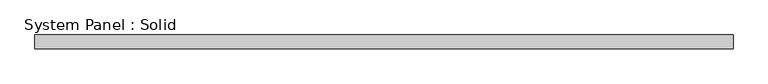
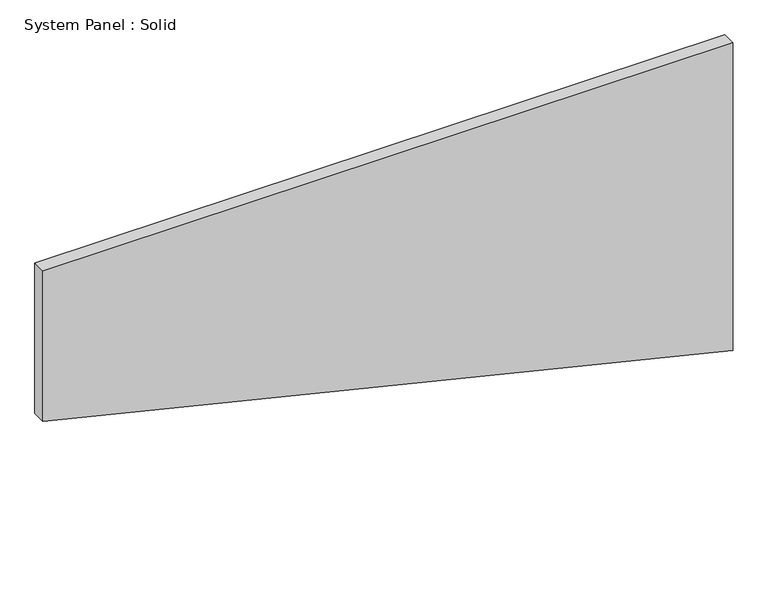
"""IFC4 building model written with IfcOpenShell, lengths in millimetres: plate geometry, System Panel : Solid."""

import ifcopenshell
import ifcopenshell.guid

model = None  # the IFC model being written
_history = None  # IfcOwnerHistory: only IFC2X3 demands one
_inside = {}  # id of a spatial element -> (the spatial element, [elements in it])
_under = {}  # id of a project, library or spatial element -> (it, [spatial elements below it])
_declared = {}  # id of a project -> (the project, [libraries it declares])
_typed = {}  # id of a type object -> (the type object, [elements of that type])
_made_of = {}  # id of a material, layer set ... -> (it, [elements and type objects made of it])


def new_model(schema):
    """Start an empty IFC model of exactly this schema.

    Asked for "IFC4X3", IfcOpenShell would pick the latest addendum, in which some entities
    have other attributes; the version numbers below select the first issue.
    IFC2X3 requires an IfcOwnerHistory on every rooted entity: one is made here for all.
    """
    global model, _history
    if schema == "IFC4X3":
        model = ifcopenshell.file(schema_version=(4, 3, 0, 0))
    else:
        model = ifcopenshell.file(schema=schema)
    _inside.clear()
    _under.clear()
    _declared.clear()
    _typed.clear()
    _made_of.clear()
    _history = None
    if model.schema == "IFC2X3":
        org = make("IfcOrganization", Name="unknown")
        user = make(
            "IfcPersonAndOrganization",
            ThePerson=make("IfcPerson", FamilyName="unknown"),
            TheOrganization=org,
        )
        app = make(
            "IfcApplication",
            ApplicationDeveloper=org,
            Version="unknown",
            ApplicationFullName="unknown",
            ApplicationIdentifier="unknown",
        )
        _history = make(
            "IfcOwnerHistory",
            OwningUser=user,
            OwningApplication=app,
            ChangeAction="ADDED",
            CreationDate=0,
        )
    return model


def make(cls, **values):
    """One entity of the class cls with the attributes given. An attribute that is None is left unset."""
    return model.create_entity(
        cls, **{name: value for name, value in values.items() if value is not None}
    )


def rooted(cls, **values):
    """An entity with a GlobalId (a new one), such as an element, a storey or a relation."""
    return make(cls, GlobalId=ifcopenshell.guid.new(), OwnerHistory=_history, **values)


def si_unit(unit_type, name, prefix=None):
    """IfcSIUnit, for example si_unit("LENGTHUNIT", "METRE", prefix="MILLI")."""
    return make("IfcSIUnit", UnitType=unit_type, Prefix=prefix, Name=name)


def assignment(units):
    """IfcUnitAssignment: the units of a project."""
    return None if units is None else make("IfcUnitAssignment", Units=units)


def point(xyz):
    """IfcCartesianPoint."""
    return None if xyz is None else make("IfcCartesianPoint", Coordinates=xyz)


def direction(xyz):
    """IfcDirection."""
    return None if xyz is None else make("IfcDirection", DirectionRatios=xyz)


def frame(location, z_axis=None, x_axis=None):
    """IfcAxis2Placement3D, a coordinate frame: its origin and axes. An axis left out is left unset."""
    return make(
        "IfcAxis2Placement3D",
        Location=point(location),
        Axis=direction(z_axis),
        RefDirection=direction(x_axis),
    )


def origin():
    """The frame at (0, 0, 0) with its axes left unset."""
    return frame((0.0, 0.0, 0.0))


def place(relative_to, where):
    """IfcLocalPlacement: puts the frame where relative to a parent placement (None: the world)."""
    return make(
        "IfcLocalPlacement", PlacementRelTo=relative_to, RelativePlacement=where
    )


def context(
    kind, dimensions, precision=None, world=None, true_north=None, identifier=None
):
    """IfcGeometricRepresentationContext, for example the 3D "Model" context."""
    return make(
        "IfcGeometricRepresentationContext",
        ContextIdentifier=identifier,
        ContextType=kind,
        CoordinateSpaceDimension=dimensions,
        Precision=precision,
        WorldCoordinateSystem=world,
        TrueNorth=true_north,
    )


def project(units=None, contexts=None):
    """IfcProject with its units and contexts."""
    return rooted(
        "IfcProject",
        Name="project",
        RepresentationContexts=contexts,
        UnitsInContext=assignment(units),
    )


def spatial(cls, under=None, at=None, **own):
    """A site, building, storey or space (cls), placed at a placement, below another one or the project."""
    s = rooted(cls, ObjectPlacement=at, **own)
    if under is not None:
        _under.setdefault(under.id(), (under, []))[1].append(s)
    return s


def polyline(points):
    """IfcPolyline through the points."""
    return make("IfcPolyline", Points=[point(p) for p in points])


def outline(outer, holes=None, kind="AREA"):
    """IfcArbitraryClosedProfileDef: a profile drawn as a closed curve; with holes, ...WithVoids."""
    if holes is None:
        return make("IfcArbitraryClosedProfileDef", ProfileType=kind, OuterCurve=outer)
    return make(
        "IfcArbitraryProfileDefWithVoids",
        ProfileType=kind,
        OuterCurve=outer,
        InnerCurves=holes,
    )


def extrude(swept, where, along, depth):
    """IfcExtrudedAreaSolid: the profile swept, set in the frame where, extruded along a direction by depth."""
    return make(
        "IfcExtrudedAreaSolid",
        SweptArea=swept,
        Position=where,
        ExtrudedDirection=direction(along),
        Depth=depth,
    )


def shape(context_of_items, identifier, shape_type, items):
    """IfcShapeRepresentation: the items that make up one representation, for example the "Body"."""
    return make(
        "IfcShapeRepresentation",
        ContextOfItems=context_of_items,
        RepresentationIdentifier=identifier,
        RepresentationType=shape_type,
        Items=items,
    )


def source(mapping_origin, context_of_items, identifier, shape_type, items):
    """IfcRepresentationMap: a shape defined once, which mapped items show again and again."""
    return make(
        "IfcRepresentationMap",
        MappingOrigin=mapping_origin,
        MappedRepresentation=shape(context_of_items, identifier, shape_type, items),
    )


def transform(
    local_origin,
    x_axis=None,
    y_axis=None,
    z_axis=None,
    scale=None,
    scale2=None,
    scale3=None,
    uniform=True,
):
    """IfcCartesianTransformationOperator3D, or its non-uniform kind. x_axis, y_axis, z_axis: its Axis1, 2, 3."""
    if uniform:
        return make(
            "IfcCartesianTransformationOperator3D",
            Axis1=direction(x_axis),
            Axis2=direction(y_axis),
            LocalOrigin=point(local_origin),
            Scale=scale,
            Axis3=direction(z_axis),
        )
    return make(
        "IfcCartesianTransformationOperator3DnonUniform",
        Axis1=direction(x_axis),
        Axis2=direction(y_axis),
        LocalOrigin=point(local_origin),
        Scale=scale,
        Axis3=direction(z_axis),
        Scale2=scale2,
        Scale3=scale3,
    )


def mapped(mapping_source, mapping_target):
    """IfcMappedItem: shows the shape of a source again, moved by a transform."""
    return make(
        "IfcMappedItem", MappingSource=mapping_source, MappingTarget=mapping_target
    )


def made_of(thing, what):
    """Note that an element or type object is made of a material, layer set ...; save() writes the relation."""
    if what is not None:
        _made_of.setdefault(what.id(), (what, []))[1].append(thing)
    return thing


def element(
    cls,
    number,
    at=None,
    inside=None,
    cuts=None,
    type_object=None,
    material=None,
    context=None,
    identifier="Body",
    shape_type=None,
    held_by="IfcProductDefinitionShape",
    body=None,
    shapes=None,
    **own,
):
    """One element of the class cls, such as IfcWall. Its Tag is "e" and its number.

    at: its placement. inside: the storey or other place that contains it. cuts: it is an
    opening in that element (IfcRelVoidsElement). A single representation is given by context,
    identifier, shape_type and body (its items); several are given by shapes. held_by: the class
    of the entity that holds the representations. save() writes the other relations.
    """
    e = rooted(cls, Tag="e%d" % number, ObjectPlacement=at, **own)
    if body is not None:
        shapes = [shape(context, identifier, shape_type, body)]
    if shapes is not None:
        e.Representation = make(held_by, Representations=shapes)
    if inside is not None:
        _inside.setdefault(inside.id(), (inside, []))[1].append(e)
    if cuts is not None:
        rooted(
            "IfcRelVoidsElement", RelatingBuildingElement=cuts, RelatedOpeningElement=e
        )
    if type_object is not None:
        _typed.setdefault(type_object.id(), (type_object, []))[1].append(e)
    return made_of(e, material)


def aggregate(whole, parts):
    """IfcRelAggregates: a whole, such as a stair, and the parts it consists of."""
    return rooted("IfcRelAggregates", RelatingObject=whole, RelatedObjects=parts)


def save(model, path):
    """Write the relations noted so far, then the file.

    IfcRelAggregates (storeys below a building ...), IfcRelContainedInSpatialStructure (elements
    in a storey), IfcRelDefinesByType, IfcRelAssociatesMaterial and IfcRelDeclares: one each for
    every whole, place, type object, material and project.
    """
    for whole, parts in _under.values():
        aggregate(whole, parts)
    for where, things in _inside.values():
        rooted(
            "IfcRelContainedInSpatialStructure",
            RelatedElements=things,
            RelatingStructure=where,
        )
    for kind, things in _typed.values():
        rooted("IfcRelDefinesByType", RelatedObjects=things, RelatingType=kind)
    for what, things in _made_of.values():
        rooted("IfcRelAssociatesMaterial", RelatedObjects=things, RelatingMaterial=what)
    for by, libraries in _declared.values():
        rooted("IfcRelDeclares", RelatingContext=by, RelatedDefinitions=libraries)
    model.write(path)


def system_panel_solid_8ba575ff(model_context):
    return source(origin(), model_context, "Body", "SweptSolid", [
        extrude(outline(polyline([(724.8500179, -1500.0), (0.0, 1500.0), (1415.3005228, 1500.0), (1415.3005228, -1500.0), (724.8500179, -1500.0)])), frame((0.0, -10.5, 0.0), z_axis=(0.0, 1.0, 0.0), x_axis=(0.0, 0.0, 1.0)), (0.0, 0.0, 1.0), 60.0),
    ])


if __name__ == "__main__":
    model = new_model("IFC4")
    model_context = context("Model", 3, world=origin())
    ifc_project = project(units=[si_unit("LENGTHUNIT", "METRE", prefix="MILLI")], contexts=[model_context])
    site = spatial("IfcSite", under=ifc_project)
    building = spatial("IfcBuilding", under=site)
    placement = place(None, origin())
    system_panel_solid_shape = system_panel_solid_8ba575ff(model_context)
    element("IfcPlate", 1, ObjectType="System Panel : Solid", at=placement, inside=building, context=model_context, shape_type="MappedRepresentation", body=[
        mapped(system_panel_solid_shape, transform((0.0, 0.0, 0.0), x_axis=(1.0, 0.0, 0.0), y_axis=(0.0, 1.0, 0.0), z_axis=(0.0, 0.0, 1.0))),
    ])
    save(model, "model.ifc")
